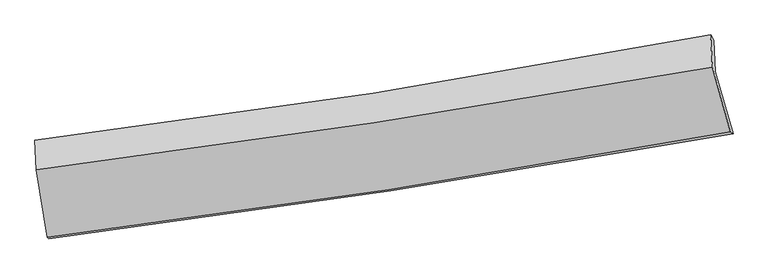
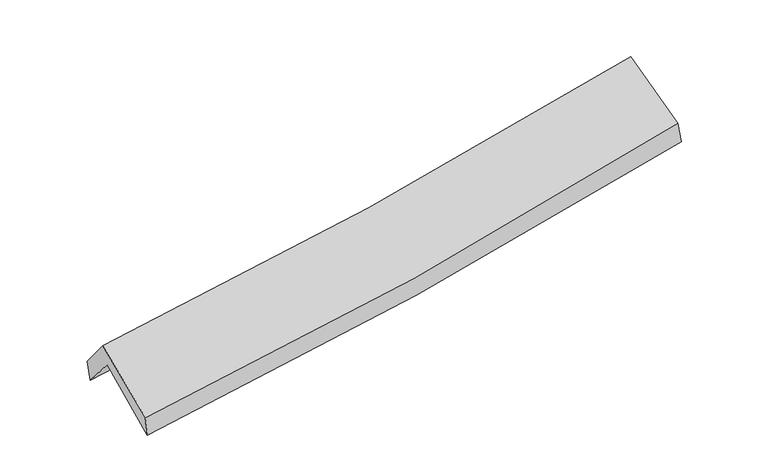
"""IFC4 building model written with IfcOpenShell, lengths in millimetres: proxy geometry."""

from ifc_helpers import new_model, si_unit, frame, origin, place, context, project, spatial, source, transform, mapped, element, save
from ifc_brep_helpers import plane_surface, spline_curve, spline_surface, advanced_brep


def generic_models_005b1314(model_context):
    return source(origin(), model_context, "Body", "AdvancedBrep", [
        advanced_brep(
        [(-2663.1369681, -2494.3610513, 1475.1402232), (-2747.4673125, -1989.1074456, 1896.9847036), (2684.2889766, -1154.1577889, 2383.2337995), (2826.5826523, -1650.4347052, 1950.846929), (-2759.3300077, -1735.1835881, 1591.7220279), (2671.1754171, -899.9969943, 2083.5597057), (-2773.3575948, -1705.0638403, 1769.4176973), (2645.6788382, -859.2208983, 2239.4690139), (-2762.9302887, -1940.142649, 2061.4318409), (2661.1424021, -1119.175328, 2528.0885706), (-2674.7609845, -2481.3673429, 1646.2469502), (2802.9365132, -1634.4979378, 2131.0832474)],
        [
            (0, 1),
            (1, 2, spline_curve(3, [(-2747.4673125, -1989.1074456, 1896.9847036), (-1840.453958921, -1869.07847042, 1959.206369541), (-935.830361579, -1739.752883125, 2030.668820008), (874.787760829, -1461.563510855, 2192.62543556), (1780.749593014, -1312.572546022, 2283.246017), (2684.2889766, -1154.1577889, 2383.2337995)], [4, 2, 4], [0.0, 9.068098509391104, 18.19801334929984])),
            (2, 3),
            (3, 0, spline_curve(3, [(2826.5826523, -1650.4347052, 1950.846929), (1914.048539001, -1815.686385964, 1843.039412177), (998.74146988, -1968.837348863, 1749.406756043), (-831.202493214, -2249.982824013, 1591.029152876), (-1745.80196414, -2378.140643035, 1526.092907204), (-2663.1369681, -2494.3610513, 1475.1402232)], [4, 2, 4], [0.0, 9.129914839908734, 18.19801334929984])),
            (1, 4),
            (4, 5, spline_curve(3, [(-2759.3300077, -1735.1835881, 1591.7220279), (-1850.234825037, -1619.274157504, 1636.165747141), (-944.670308695, -1491.995728304, 1699.171586261), (865.546467022, -1213.755728301, 1862.863544044), (1770.150425299, -1062.638625768, 1963.803597503), (2671.1754171, -899.9969943, 2083.5597057)], [4, 2, 4], [0.0, 9.020896127646662, 18.103286811843883])),
            (5, 2),
            (4, 6),
            (6, 7, spline_curve(3, [(-2773.3575948, -1705.0638403, 1769.4176973), (-1865.645113609, -1593.589587197, 1816.302501057), (-961.723563518, -1467.65427364, 1878.729811396), (844.673774903, -1185.904457767, 2035.200957934), (1747.097702795, -1029.892123735, 2129.457419668), (2645.6788382, -859.2208983, 2239.4690139)], [4, 2, 4], [0.0, 9.01188941166318, 18.085211981985008])),
            (7, 5),
            (6, 8),
            (8, 9, spline_curve(3, [(-2762.9302887, -1940.142649, 2061.4318409), (-1855.956301299, -1826.646899886, 2111.463397625), (-951.988410772, -1701.756314174, 2175.18846555), (856.076943996, -1428.256424982, 2330.553377843), (1760.133283613, -1279.491236957, 2422.380553345), (2661.1424021, -1119.175328, 2528.0885706)], [4, 2, 4], [0.0, 9.00267095965541, 18.066712236694027])),
            (9, 7),
            (8, 10),
            (10, 11, spline_curve(3, [(-2674.7609845, -2481.3673429, 1646.2469502), (-1758.033245978, -2369.652225177, 1694.621720737), (-844.733488024, -2243.511112045, 1759.020270764), (981.21257373, -1961.418661677, 1920.413159898), (1893.811981408, -1805.269973454, 2017.6267093), (2802.9365132, -1634.4979378, 2131.0832474)], [4, 2, 4], [0.0, 9.051075764491756, 18.16385181713306])),
            (11, 9),
            (10, 0),
            (3, 11),
        ],
        [
            spline_surface(3, 3, [[(-2663.1369681, -2494.3610513, 1475.1402232), (-1745.801964239, -2378.140642991, 1526.092907271), (-831.202493137, -2249.982823928, 1591.029152947), (998.741469803, -1968.837348949, 1749.406755972), (1914.048538888, -1815.686385929, 1843.039412186), (2826.5826523, -1650.4347052, 1950.846929)], [(-2691.247082922, -2325.943182742, 1615.755050005), (-1777.3526292, -2208.453252093, 1670.464061399), (-866.078449278, -2079.906176979, 1737.575708657), (957.423566749, -1799.746069647, 1897.146315844), (1869.615556875, -1647.981772607, 1989.774947144), (2779.151427061, -1485.009066429, 2094.975885808)], [(-2719.357197678, -2157.525314158, 1756.369876795), (-1808.903294096, -2038.765861169, 1814.835215512), (-900.954405335, -1909.829529958, 1884.122264319), (916.105663779, -1630.654790273, 2044.885875668), (1825.182574877, -1480.277159296, 2136.510482178), (2731.720201839, -1319.583427671, 2239.104842692)], [(-2747.4673125, -1989.1074456, 1896.9847036), (-1840.453959057, -1869.078470271, 1959.20636964), (-935.830361476, -1739.75288301, 2030.668820028), (874.787760725, -1461.563510971, 2192.62543554), (1780.749592864, -1312.572545974, 2283.246017136), (2684.2889766, -1154.1577889, 2383.2337995)]], [4, 4], [4, 2, 4], [0.0, 2.2414785285655614], [0.0, 9.068098509391104, 18.19801334929984]),
            spline_surface(3, 3, [[(-2747.4673125, -1989.1074456, 1896.9847036), (-1840.453959057, -1869.078470271, 1959.20636964), (-935.830361476, -1739.75288301, 2030.668820028), (874.787760725, -1461.563510971, 2192.62543554), (1780.749592864, -1312.572545974, 2283.246017136), (2684.2889766, -1154.1577889, 2383.2337995)], [(-2751.42154424, -1904.46615976, 1795.230478387), (-1843.714247686, -1785.810365974, 1851.526162202), (-938.777010503, -1657.167164796, 1920.169742104), (871.70732944, -1378.960916678, 2082.704805027), (1777.216537064, -1229.261239247, 2176.765210657), (2679.91779012, -1069.43752401, 2283.342434927)], [(-2755.37577596, -1819.82487394, 1693.476253113), (-1846.974536296, -1702.542261698, 1743.845954705), (-941.723659524, -1574.581446655, 1809.670664203), (868.626898162, -1296.358322456, 1972.784174538), (1773.683481203, -1145.94993259, 2070.284404098), (2675.54660358, -984.71725919, 2183.451070273)], [(-2759.3300077, -1735.1835881, 1591.7220279), (-1850.234824925, -1619.274157401, 1636.165747268), (-944.670308551, -1491.995728441, 1699.171586278), (865.546466877, -1213.755728163, 1862.863544026), (1770.150425403, -1062.638625863, 1963.80359762), (2671.1754171, -899.9969943, 2083.5597057)]], [4, 4], [4, 2, 4], [0.0, 1.3558637052352152], [0.0, 9.020896127646662, 18.103286811843883]),
            spline_surface(3, 3, [[(-2759.3300077, -1735.1835881, 1591.7220279), (-1850.234824925, -1619.274157401, 1636.165747268), (-944.670308551, -1491.995728441, 1699.171586278), (865.546466877, -1213.755728163, 1862.863544026), (1770.150425403, -1062.638625863, 1963.80359762), (2671.1754171, -899.9969943, 2083.5597057)], [(-2764.005870047, -1725.14367217, 1650.95391768), (-1855.371587795, -1610.712634026, 1696.211331843), (-950.354726903, -1483.881910226, 1759.024327994), (858.58890293, -1204.471971346, 1920.309348659), (1762.466184512, -1051.7231252, 2019.021538319), (2662.676557475, -886.404962311, 2135.529475102)], [(-2768.681732453, -1715.10375623, 1710.18580752), (-1860.508350725, -1602.151110641, 1756.256916478), (-956.039145277, -1475.76809196, 1818.8770697), (851.631338961, -1195.188214478, 1977.755153281), (1754.781943598, -1040.807624503, 2074.239479011), (2654.177697825, -872.812930289, 2187.499244498)], [(-2773.3575948, -1705.0638403, 1769.4176973), (-1865.645113595, -1593.589587266, 1816.302501053), (-961.723563629, -1467.654273745, 1878.729811416), (844.673775015, -1185.904457661, 2035.200957914), (1747.097702707, -1029.89212384, 2129.45741971), (2645.6788382, -859.2208983, 2239.4690139)]], [4, 4], [4, 2, 4], [0.0, 0.5868092160117657], [0.0, 9.01188941166318, 18.085211981985008]),
            spline_surface(3, 3, [[(-2773.3575948, -1705.0638403, 1769.4176973), (-1865.645113595, -1593.589587266, 1816.302501053), (-961.723563629, -1467.654273745, 1878.729811416), (844.673775015, -1185.904457661, 2035.200957914), (1747.097702707, -1029.89212384, 2129.45741971), (2645.6788382, -859.2208983, 2239.4690139)], [(-2769.881826101, -1783.423443222, 1866.755745176), (-1862.415509458, -1671.275358175, 1914.689466624), (-958.478512621, -1545.688287226, 1977.549362795), (848.474831307, -1266.688446771, 2133.651764553), (1751.44289633, -1113.091828265, 2227.098464214), (2650.833359503, -945.872374883, 2335.675532793)], [(-2766.406057399, -1861.783046078, 1964.093793024), (-1859.185905319, -1748.961129018, 2013.076432168), (-955.233461646, -1623.722300697, 2076.368914178), (852.275887569, -1347.47243587, 2232.102571197), (1755.788089946, -1196.291532639, 2324.73950874), (2655.987880797, -1032.523851417, 2431.882051707)], [(-2762.9302887, -1940.142649, 2061.4318409), (-1855.956301182, -1826.646899928, 2111.463397739), (-951.988410638, -1701.756314177, 2175.188465557), (856.076943861, -1428.256424979, 2330.553377836), (1760.133283569, -1279.491237064, 2422.380553244), (2661.1424021, -1119.175328, 2528.0885706)]], [4, 4], [4, 2, 4], [0.0, 1.2468709398107973], [0.0, 9.00267095965541, 18.066712236694027]),
            spline_surface(3, 3, [[(-2762.9302887, -1940.142649, 2061.4318409), (-1855.956301182, -1826.646899928, 2111.463397739), (-951.988410638, -1701.756314177, 2175.188465557), (856.076943861, -1428.256424979, 2330.553377836), (1760.133283569, -1279.491237064, 2422.380553244), (2661.1424021, -1119.175328, 2528.0885706)], [(-2733.540520627, -2120.550880295, 1923.036877313), (-1823.315282819, -2007.648675023, 1972.516172067), (-916.236769746, -1882.341246744, 2036.465733914), (897.788820452, -1605.977170553, 2193.839971905), (1804.692849502, -1454.750815814, 2287.462605232), (2708.407105789, -1290.949531237, 2395.753462856)], [(-2704.150752573, -2300.959111605, 1784.641913787), (-1790.674264475, -2188.650450132, 1833.568946455), (-880.485128837, -2062.926179383, 1897.743002266), (939.500697059, -1783.697916199, 2057.12656597), (1849.252415469, -1630.010394652, 2152.544657251), (2755.671809511, -1462.723734563, 2263.418355144)], [(-2674.7609845, -2481.3673429, 1646.2469502), (-1758.033246112, -2369.652225228, 1694.621720783), (-844.733487945, -2243.511111949, 1759.020270623), (981.212573649, -1961.418661773, 1920.413160039), (1893.811981402, -1805.269973402, 2017.626709239), (2802.9365132, -1634.4979378, 2131.0832474)]], [4, 4], [4, 2, 4], [0.0, 2.256457213034753], [0.0, 9.051075764491756, 18.16385181713306]),
            spline_surface(3, 3, [[(-2674.7609845, -2481.3673429, 1646.2469502), (-1758.033246112, -2369.652225228, 1694.621720783), (-844.733487945, -2243.511111949, 1759.020270623), (981.212573649, -1961.418661773, 1920.413160039), (1893.811981402, -1805.269973402, 2017.626709239), (2802.9365132, -1634.4979378, 2131.0832474)], [(-2670.886312365, -2485.698579011, 1589.21137454), (-1753.956152152, -2372.481697793, 1638.445449619), (-840.223156324, -2245.668349279, 1703.023231386), (987.055539052, -1963.891557502, 1863.411025338), (1900.557500549, -1808.742110939, 1959.430943569), (2810.818559552, -1639.810193628, 2071.004474614)], [(-2667.011640235, -2490.029815189, 1532.17579886), (-1749.879058198, -2375.311170425, 1582.269178435), (-835.712824758, -2247.825586598, 1647.026192185), (992.8985044, -1966.36445322, 1806.408890673), (1907.30301974, -1812.214248392, 1901.235177856), (2818.700605948, -1645.122449372, 2010.925701786)], [(-2663.1369681, -2494.3610513, 1475.1402232), (-1745.801964239, -2378.140642991, 1526.092907271), (-831.202493137, -2249.982823928, 1591.029152947), (998.741469803, -1968.837348949, 1749.406755972), (1914.048538888, -1815.686385929, 1843.039412186), (2826.5826523, -1650.4347052, 1950.846929)]], [4, 4], [4, 2, 4], [0.0, 0.5589304361407433], [0.0, 9.107444268826935, 18.27697308432147]),
            plane_surface(frame((2715.3007999, -1219.5806088, 2219.380211), z_axis=(0.9768083336849009, 0.1824760312682415, 0.11201775420137239), x_axis=(0.2129712562886096, -0.7740018450598309, -0.5962922000486246))),
            plane_surface(frame((-2730.1638594, -2057.5376529, 1740.1572405), z_axis=(-0.9914500322325579, -0.11664076385499961, -0.058495861335501914), x_axis=(-0.06758438498010162, 0.07554805117964482, 0.9948491558371144))),
        ],
        [
            (0, [[1, 2, 3, 4]]),
            (1, [[5, 6, 7, -2]]),
            (2, [[8, 9, 10, -6]]),
            (3, [[11, 12, 13, -9]]),
            (4, [[14, 15, 16, -12]]),
            (5, [[17, -4, 18, -15]]),
            (6, [[-16, -18, -3, -7, -10, -13]]),
            (7, [[-17, -14, -11, -8, -5, -1]]),
        ],
    ),
    ])


if __name__ == "__main__":
    model = new_model("IFC4")
    model_context = context("Model", 3, world=origin())
    ifc_project = project(units=[si_unit("LENGTHUNIT", "METRE", prefix="MILLI")], contexts=[model_context])
    site = spatial("IfcSite", under=ifc_project)
    building = spatial("IfcBuilding", under=site)
    placement = place(None, origin())
    generic_models_shape = generic_models_005b1314(model_context)
    element("IfcBuildingElementProxy", 1, Name="Generic Models", at=placement, inside=building, context=model_context, shape_type="MappedRepresentation", body=[
        mapped(generic_models_shape, transform((0.0, 0.0, 0.0), x_axis=(1.0, 0.0, 0.0), y_axis=(0.0, 1.0, 0.0), z_axis=(0.0, 0.0, 1.0))),
    ])
    save(model, "model.ifc")
